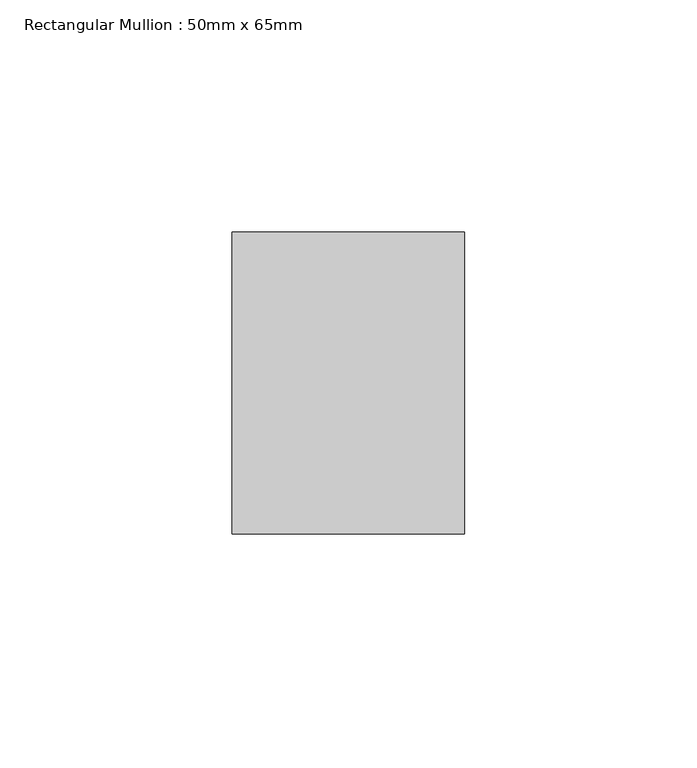
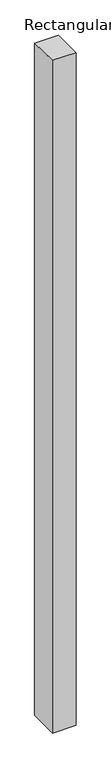
"""IFC4 building model written with IfcOpenShell, lengths in millimetres: member geometry, Rectangular Mullion : 50mm x 65mm."""

from ifc_helpers import new_model, si_unit, frame, origin, place, context, project, spatial, polyline, outline, extrude, source, transform, mapped, element, save


def rectangular_mullion_50mm_x_65mm_d3001d97(model_context):
    return source(origin(), model_context, "Body", "SweptSolid", [
        extrude(outline(polyline([(-32.5, 0.4073265), (32.5, -0.4073268), (32.5, -1499.6947018), (-32.5, -1500.3061509), (-32.5, 0.4073265)])), frame((-25.0, 0.0, 0.0), z_axis=(1.0, 0.0, 0.0), x_axis=(0.0, 1.0, 0.0)), (0.0, 0.0, 1.0), 50.0),
    ])


if __name__ == "__main__":
    model = new_model("IFC4")
    model_context = context("Model", 3, world=origin())
    ifc_project = project(units=[si_unit("LENGTHUNIT", "METRE", prefix="MILLI")], contexts=[model_context])
    site = spatial("IfcSite", under=ifc_project)
    building = spatial("IfcBuilding", under=site)
    placement = place(None, origin())
    rectangular_mullion_50mm_x_65mm_shape = rectangular_mullion_50mm_x_65mm_d3001d97(model_context)
    element("IfcMember", 1, ObjectType="Rectangular Mullion : 50mm x 65mm", at=placement, inside=building, context=model_context, shape_type="MappedRepresentation", body=[
        mapped(rectangular_mullion_50mm_x_65mm_shape, transform((0.0, 0.0, 0.0), x_axis=(1.0, 0.0, 0.0), y_axis=(0.0, 1.0, 0.0), z_axis=(0.0, 0.0, 1.0))),
    ])
    save(model, "model.ifc")
